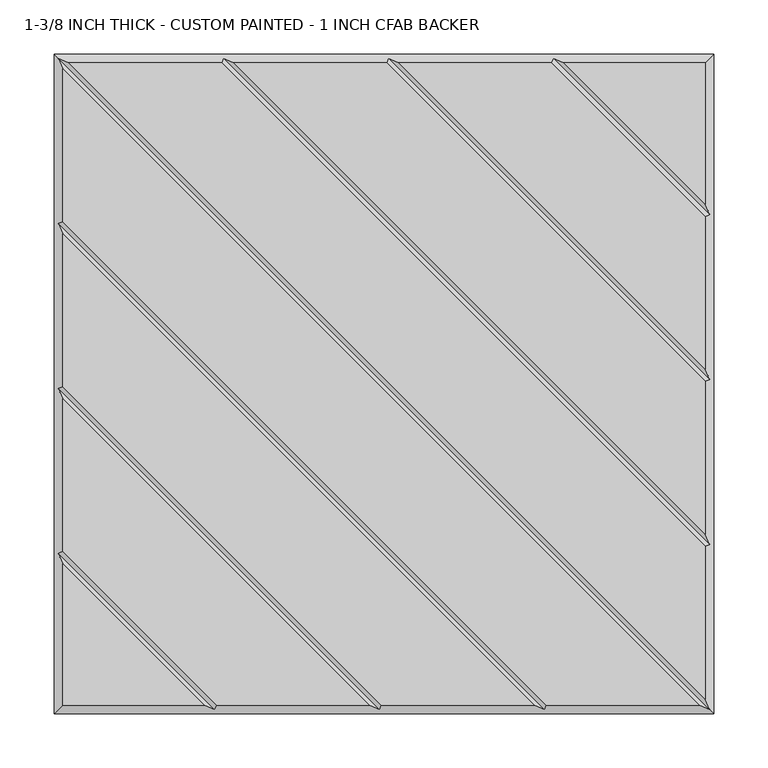
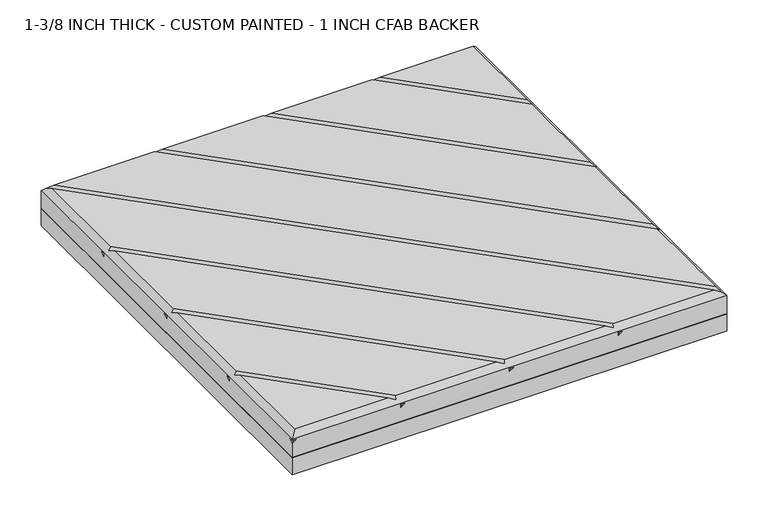
"""IFC4 building model written with IfcOpenShell, lengths in millimetres: proxy geometry, 1-3/8 INCH THICK - CUSTOM PAINTED - 1 INCH CFAB BACKER."""

from ifc_helpers import new_model, si_unit, frame, origin, place, context, project, spatial, polyline, outline, extrude, faceted_brep, source, transform, mapped, element, save


def proxy_1_3_8_inch_thick_custom_painted_1_inch_cfab_backer_abd4aeac(model_context):
    return source(origin(), model_context, "Body", "SolidModel", [
        extrude(outline(polyline([(-304.8, 304.8), (304.8, 304.8), (304.8, -304.8), (-304.8, -304.8), (-304.8, 304.8)])), frame((0.0, 0.0, -25.4), z_axis=(0.0, 0.0, 1.0), x_axis=(1.0, 0.0, 0.0)), (0.0, 0.0, 1.0), 25.4),
        faceted_brep([(296.799, 154.7434623, 34.925), (154.743415, 296.799, 34.925), (13.6585378, 296.799, 34.925), (296.799, 13.658585, 34.925), (296.799, 2.3434632, 34.925), (2.3434141, 296.799, 34.925), (-138.7414628, 296.799, 34.925), (296.799, -138.7414144, 34.925), (296.799, -150.0565365, 34.925), (-150.0565862, 296.799, 34.925), (-291.1414386, 296.799, 34.925), (296.799, -291.1414386, 34.925), (291.1414386, -296.799, 34.925), (-296.799, 291.1414386, 34.925), (-296.799, 150.0565868, 34.925), (150.0565868, -296.799, 34.925), (138.741464, -296.799, 34.925), (-296.799, 138.741464, 34.925), (-296.799, -2.3434137, 34.925), (-2.3434382, -296.799, 34.925), (-13.6585605, -296.799, 34.925), (-296.799, -13.6585369, 34.925), (-296.799, -154.7434305, 34.925), (-154.743904, -296.799, 34.925), (296.799, 296.799, 34.925), (166.0585396, 296.799, 34.925), (296.799, 166.0585831, 34.925), (-296.799, -166.0585721, 34.925), (-296.799, -296.799, 34.925), (-166.0590079, -296.799, 34.925), (-304.8, 304.8, 0.0), (304.8, 304.8, 0.0), (304.8, -304.8, 0.0), (-304.8, -304.8, 0.0), (-304.8, -304.8, 21.3995359), (-304.8, -299.1424894, 25.4), (-304.8, -304.8, 25.4), (-304.8, -304.8, 26.924), (-304.8, 304.8, 26.924), (-304.8, -152.3999238, 21.3996078), (-304.8, -146.7425148, 25.4), (-304.8, -152.3999238, 25.4), (-304.8, 7.62e-05, 21.3996078), (-304.8, 5.6574852, 25.4), (-304.8, 7.62e-05, 25.4), (-304.8, 152.4000762, 21.3996078), (-304.8, 158.0574852, 25.4), (-304.8, 152.4000762, 25.4), (304.8, -304.8, 26.924), (-299.1423878, -304.8, 25.4), (-146.7424132, -304.8, 25.4), (-152.3999577, -304.8, 21.399512), (-152.3999238, -304.8, 25.4), (5.6575868, -304.8, 25.4), (4.23e-05, -304.8, 21.399512), (7.62e-05, -304.8, 25.4), (158.0575868, -304.8, 25.4), (152.4000423, -304.8, 21.399512), (152.4000762, -304.8, 25.4), (304.8, 304.8, 21.3995359), (304.8, 299.1423878, 25.4), (304.8, 304.8, 25.4), (304.8, 304.8, 26.924), (304.8, 152.4000762, 25.4), (304.8, 152.4000762, 21.3995), (304.8, 146.7424132, 25.4), (304.8, 7.62e-05, 25.4), (304.8, 7.62e-05, 21.3995), (304.8, -5.6575868, 25.4), (304.8, -152.3999238, 25.4), (304.8, -152.3999238, 21.3995), (304.8, -158.0575868, 25.4), (299.1424894, 304.8, 25.4), (152.4000762, 304.8, 21.3995), (152.4000762, 304.8, 25.4), (146.7425148, 304.8, 25.4), (7.62e-05, 304.8, 21.3995), (7.62e-05, 304.8, 25.4), (-5.6574852, 304.8, 25.4), (-152.3999238, 304.8, 21.3995), (-152.3999238, 304.8, 25.4), (-158.0574852, 304.8, 25.4), (-300.7995, 300.7995, 30.9245), (-148.399525, 300.7995, 30.9245), (4.0004753, 300.7995, 30.9245), (156.4004759, 300.7995, 30.9245), (-300.7995, -156.4004879, 30.9245), (-300.7995, -4.0004749, 30.9245), (-300.7995, 148.3995254, 30.9245), (300.7995, -300.7995, 30.9245), (148.3995254, -300.7995, 30.9245), (-4.0004997, -300.7995, 30.9245), (-156.4009693, -300.7995, 30.9245), (300.7995, 156.4005241, 30.9245), (300.7995, 4.0005247, 30.9245), (300.7995, -148.399475, 30.9245), (301.9712701, 155.2288061, 25.4), (-155.2287299, -301.9711939, 25.4), (301.9712701, 2.8288061, 25.4), (-2.8287299, -301.9711939, 25.4), (301.9712701, -149.5711939, 25.4), (149.5712701, -301.9711939, 25.4), (155.2288569, 301.9712193, 25.4), (-301.9711431, -155.2287807, 25.4), (2.8288569, 301.9712193, 25.4), (-301.9711431, -2.8287807, 25.4), (-149.5711431, 301.9712193, 25.4), (-301.9711431, 149.5712193, 25.4)], [[[0, 1, 2, 3]], [[4, 5, 6, 7]], [[8, 9, 10, 11]], [[12, 13, 14, 15]], [[16, 17, 18, 19]], [[20, 21, 22, 23]], [[24, 25, 26]], [[27, 28, 29]], [[30, 31, 32, 33]], [[30, 33, 34, 35, 36, 37, 38], [39, 40, 41], [42, 43, 44], [45, 46, 47]], [[33, 32, 48, 37, 36, 49, 34], [50, 51, 52], [53, 54, 55], [56, 57, 58]], [[32, 31, 59, 60, 61, 62, 48], [63, 64, 65], [66, 67, 68], [69, 70, 71]], [[31, 30, 38, 62, 61, 72, 59], [73, 74, 75], [76, 77, 78], [79, 80, 81]], [[24, 62, 38, 82, 10, 9, 83, 6, 5, 84, 2, 1, 85, 25]], [[37, 28, 27, 86, 22, 21, 87, 18, 17, 88, 14, 13, 82, 38]], [[28, 37, 48, 89, 12, 15, 90, 16, 19, 91, 20, 23, 92, 29]], [[62, 24, 26, 93, 0, 3, 94, 4, 7, 95, 8, 11, 89, 48]], [[34, 59, 72, 35]], [[59, 34, 49, 60]], [[64, 96, 97, 51]], [[64, 51, 50, 65]], [[67, 98, 99, 54]], [[67, 54, 53, 68]], [[70, 100, 101, 57]], [[70, 57, 56, 71]], [[102, 73, 39, 103]], [[39, 73, 75, 40]], [[104, 76, 42, 105]], [[42, 76, 78, 43]], [[106, 79, 45, 107]], [[45, 79, 81, 46]], [[93, 85, 1, 0]], [[85, 93, 26, 25]], [[94, 84, 5, 4]], [[84, 94, 3, 2]], [[95, 83, 9, 8]], [[83, 95, 7, 6]], [[82, 89, 11, 10]], [[89, 82, 13, 12]], [[88, 90, 15, 14]], [[90, 88, 17, 16]], [[87, 91, 19, 18]], [[91, 87, 21, 20]], [[86, 92, 23, 22]], [[92, 86, 27, 29]], [[60, 49, 36, 35, 72, 61]], [[96, 64, 63]], [[97, 96, 63, 65, 50, 52]], [[51, 97, 52]], [[98, 67, 66]], [[99, 98, 66, 68, 53, 55]], [[54, 99, 55]], [[100, 70, 69]], [[101, 100, 69, 71, 56, 58]], [[57, 101, 58]], [[73, 102, 74]], [[102, 103, 41, 40, 75, 74]], [[103, 39, 41]], [[76, 104, 77]], [[104, 105, 44, 43, 78, 77]], [[105, 42, 44]], [[79, 106, 80]], [[106, 107, 47, 46, 81, 80]], [[107, 45, 47]]]),
    ])


if __name__ == "__main__":
    model = new_model("IFC4")
    model_context = context("Model", 3, world=origin())
    ifc_project = project(units=[si_unit("LENGTHUNIT", "METRE", prefix="MILLI")], contexts=[model_context])
    site = spatial("IfcSite", under=ifc_project)
    building = spatial("IfcBuilding", under=site)
    placement = place(None, origin())
    proxy_1_3_8_inch_thick_custom_painted_1_inch_cfab_backer_shape = proxy_1_3_8_inch_thick_custom_painted_1_inch_cfab_backer_abd4aeac(model_context)
    element("IfcBuildingElementProxy", 1, Name="1-3/8 INCH THICK - CUSTOM PAINTED - 1 INCH CFAB BACKER", ObjectType="1-3/8 INCH THICK - CUSTOM PAINTED - 1 INCH CFAB BACKER", at=placement, inside=building, context=model_context, shape_type="MappedRepresentation", body=[
        mapped(proxy_1_3_8_inch_thick_custom_painted_1_inch_cfab_backer_shape, transform((0.0, 0.0, 0.0), x_axis=(1.0, 0.0, 0.0), y_axis=(0.0, 1.0, 0.0), z_axis=(0.0, 0.0, 1.0))),
    ])
    save(model, "model.ifc")
